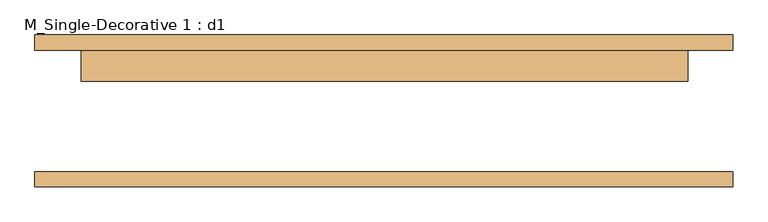
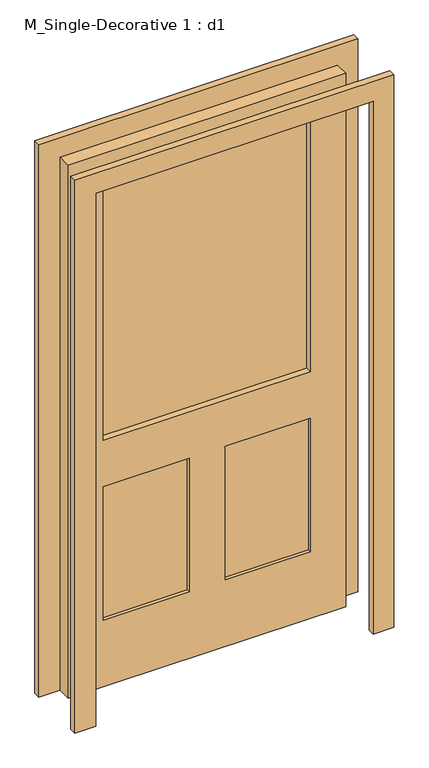
"""IFC4 building model written with IfcOpenShell, lengths in millimetres: door geometry, M_Single-Decorative 1 : d1."""

from ifc_helpers import new_model, si_unit, frame, origin, place, context, project, spatial, polyline, outline, extrude, source, transform, mapped, element, save


def m_single_decorative_1_d1_f4cfa2fb(model_context):
    return source(origin(), model_context, "Body", "SweptSolid", [
        extrude(outline(polyline([(2107.0, -575.0), (0.0, -575.0), (0.0, -500.0), (2032.0, -500.0), (2032.0, 500.0), (0.0, 500.0), (0.0, 575.0), (2107.0, 575.0), (2107.0, -575.0)])), frame((0.0, 100.0, 0.0), z_axis=(0.0, 1.0, 0.0), x_axis=(0.0, 0.0, 1.0)), (0.0, 0.0, 1.0), 25.0),
        extrude(outline(polyline([(66.2296572, 87.0), (373.0, 87.0), (373.0, 61.0), (66.2296572, 61.0), (66.2296572, 87.0)])), frame((0.0, 0.0, 254.0), z_axis=(0.0, 0.0, 1.0), x_axis=(1.0, 0.0, 0.0)), (0.0, 0.0, 1.0), 508.0),
        extrude(outline(polyline([(-373.0, 87.0), (-64.0, 87.0), (-64.0, 61.0), (-373.0, 61.0), (-373.0, 87.0)])), frame((0.0, 0.0, 254.0), z_axis=(0.0, 0.0, 1.0), x_axis=(1.0, 0.0, 0.0)), (0.0, 0.0, 1.0), 508.0),
        extrude(outline(polyline([(-373.0, 78.0), (373.0, 78.0), (373.0, 72.0), (-373.0, 72.0), (-373.0, 78.0)])), frame((0.0, 0.0, 940.0), z_axis=(0.0, 0.0, 1.0), x_axis=(1.0, 0.0, 0.0)), (0.0, 0.0, 1.0), 965.0),
        extrude(outline(polyline([(2032.0, -498.6666667), (0.0, -498.6666667), (0.0, 501.3333333), (2032.0, 501.3333333), (2032.0, -498.6666667)]), holes=[polyline([(1905.0, -371.6666667), (1905.0, 374.3333333), (940.0, 374.3333333), (940.0, -371.6666667), (1905.0, -371.6666667)]), polyline([(762.0, 67.5629905), (762.0, 374.3333333), (254.0, 374.3333333), (254.0, 67.5629905), (762.0, 67.5629905)]), polyline([(762.0, -371.6666667), (762.0, -62.6666667), (254.0, -62.6666667), (254.0, -371.6666667), (762.0, -371.6666667)])]), frame((0.0, 49.0, 0.0), z_axis=(0.0, 1.0, 0.0), x_axis=(0.0, 0.0, 1.0)), (0.0, 0.0, 1.0), 51.0),
        extrude(outline(polyline([(2107.0, -575.0), (0.0, -575.0), (0.0, -500.0), (2032.0, -500.0), (2032.0, 500.0), (0.0, 500.0), (0.0, 575.0), (2107.0, 575.0), (2107.0, -575.0)])), frame((0.0, -125.0, 0.0), z_axis=(0.0, 1.0, 0.0), x_axis=(0.0, 0.0, 1.0)), (0.0, 0.0, 1.0), 25.0),
    ])


if __name__ == "__main__":
    model = new_model("IFC4")
    model_context = context("Model", 3, world=origin())
    ifc_project = project(units=[si_unit("LENGTHUNIT", "METRE", prefix="MILLI")], contexts=[model_context])
    site = spatial("IfcSite", under=ifc_project)
    building = spatial("IfcBuilding", under=site)
    placement = place(None, origin())
    m_single_decorative_1_d1_shape = m_single_decorative_1_d1_f4cfa2fb(model_context)
    element("IfcDoor", 1, ObjectType="M_Single-Decorative 1 : d1", at=placement, inside=building, context=model_context, shape_type="MappedRepresentation", body=[
        mapped(m_single_decorative_1_d1_shape, transform((0.0, 0.0, 0.0), x_axis=(1.0, 0.0, 0.0), y_axis=(0.0, 1.0, 0.0), z_axis=(0.0, 0.0, 1.0))),
    ])
    save(model, "model.ifc")
